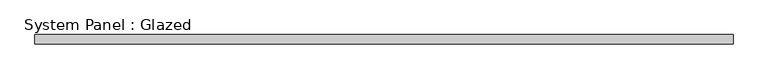
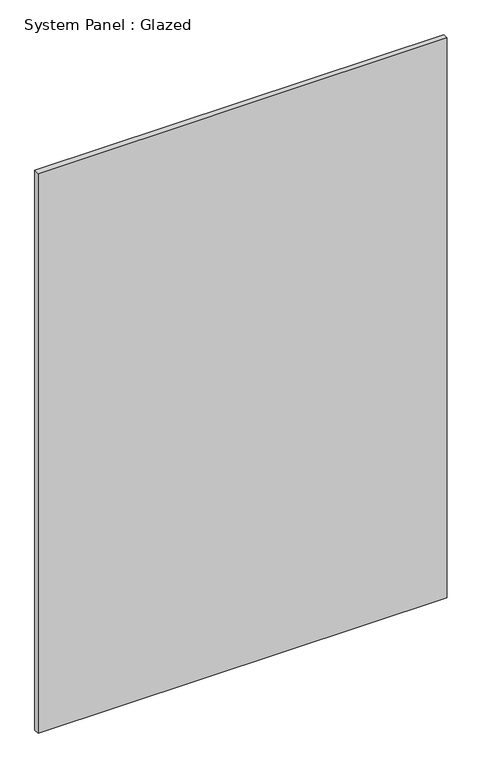
"""IFC4 building model written with IfcOpenShell, lengths in millimetres: plate geometry, System Panel : Glazed."""

from ifc_helpers import new_model, si_unit, origin, origin_with_axes, place, context, project, spatial, polyline, outline, extrude, source, transform, mapped, element, save


def system_panel_glazed_433a7195(model_context):
    return source(origin(), model_context, "Body", "SweptSolid", [
        extrude(outline(polyline([(951.5, -37.5), (-951.5, -37.5), (-951.5, -12.5), (951.5, -12.5), (951.5, -37.5)])), origin_with_axes(), (0.0, 0.0, 1.0), 2750.0),
    ])


if __name__ == "__main__":
    model = new_model("IFC4")
    model_context = context("Model", 3, world=origin())
    ifc_project = project(units=[si_unit("LENGTHUNIT", "METRE", prefix="MILLI")], contexts=[model_context])
    site = spatial("IfcSite", under=ifc_project)
    building = spatial("IfcBuilding", under=site)
    placement = place(None, origin())
    system_panel_glazed_shape = system_panel_glazed_433a7195(model_context)
    element("IfcPlate", 1, ObjectType="System Panel : Glazed", at=placement, inside=building, context=model_context, shape_type="MappedRepresentation", body=[
        mapped(system_panel_glazed_shape, transform((0.0, 0.0, 0.0), x_axis=(1.0, 0.0, 0.0), y_axis=(0.0, 1.0, 0.0), z_axis=(0.0, 0.0, 1.0))),
    ])
    save(model, "model.ifc")
